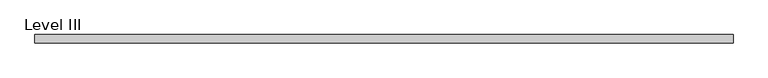
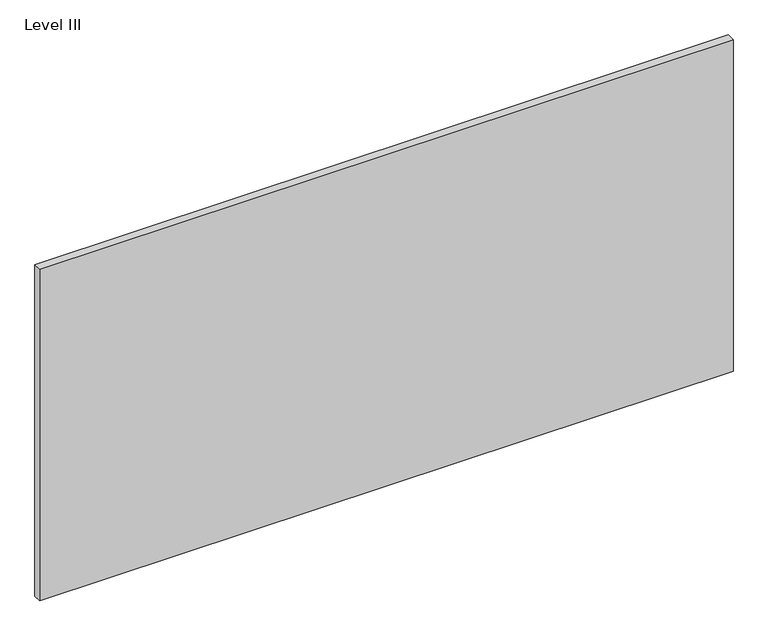
"""IFC4 building model written with IfcOpenShell, lengths in millimetres: proxy geometry, Level III."""

from ifc_helpers import new_model, si_unit, frame, origin, place, context, project, spatial, polyline, outline, extrude, source, transform, mapped, element, save


def level_iii_fe696794(model_context):
    return source(origin(), model_context, "Body", "SweptSolid", [
        extrude(outline(polyline([(795.6407125, 9.525), (795.6407125, -9.525), (-795.6407125, -9.525), (-795.6407125, 9.525), (795.6407125, 9.525)])), frame((0.0, 0.0, 3.175), z_axis=(0.0, 0.0, 1.0), x_axis=(1.0, 0.0, 0.0)), (0.0, 0.0, 1.0), 804.418),
    ])


if __name__ == "__main__":
    model = new_model("IFC4")
    model_context = context("Model", 3, world=origin())
    ifc_project = project(units=[si_unit("LENGTHUNIT", "METRE", prefix="MILLI")], contexts=[model_context])
    site = spatial("IfcSite", under=ifc_project)
    building = spatial("IfcBuilding", under=site)
    placement = place(None, origin())
    level_iii_shape = level_iii_fe696794(model_context)
    element("IfcBuildingElementProxy", 1, Name="Level III", ObjectType="Level III", at=placement, inside=building, context=model_context, shape_type="MappedRepresentation", body=[
        mapped(level_iii_shape, transform((0.0, 0.0, 0.0), x_axis=(1.0, 0.0, 0.0), y_axis=(0.0, 1.0, 0.0), z_axis=(0.0, 0.0, 1.0))),
    ])
    save(model, "model.ifc")
